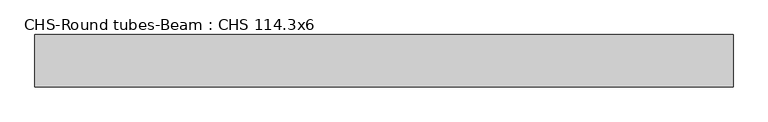
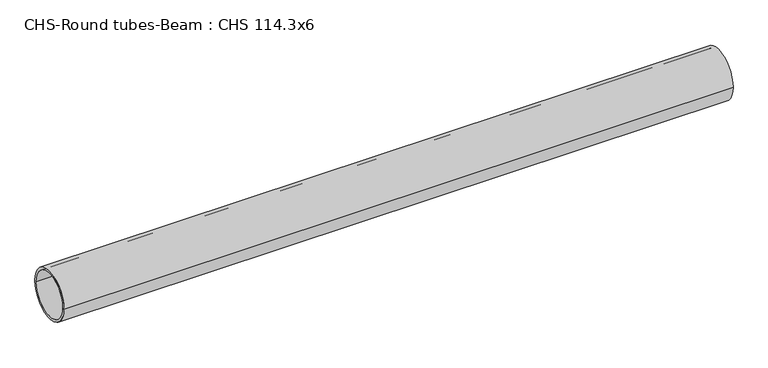
"""IFC4 building model written with IfcOpenShell, lengths in millimetres: beam geometry, CHS-Round tubes-Beam : CHS 114.3x6."""

import ifcopenshell
import ifcopenshell.guid

model = None  # the IFC model being written
_history = None  # IfcOwnerHistory: only IFC2X3 demands one
_inside = {}  # id of a spatial element -> (the spatial element, [elements in it])
_under = {}  # id of a project, library or spatial element -> (it, [spatial elements below it])
_declared = {}  # id of a project -> (the project, [libraries it declares])
_typed = {}  # id of a type object -> (the type object, [elements of that type])
_made_of = {}  # id of a material, layer set ... -> (it, [elements and type objects made of it])


def new_model(schema):
    """Start an empty IFC model of exactly this schema.

    Asked for "IFC4X3", IfcOpenShell would pick the latest addendum, in which some entities
    have other attributes; the version numbers below select the first issue.
    IFC2X3 requires an IfcOwnerHistory on every rooted entity: one is made here for all.
    """
    global model, _history
    if schema == "IFC4X3":
        model = ifcopenshell.file(schema_version=(4, 3, 0, 0))
    else:
        model = ifcopenshell.file(schema=schema)
    _inside.clear()
    _under.clear()
    _declared.clear()
    _typed.clear()
    _made_of.clear()
    _history = None
    if model.schema == "IFC2X3":
        org = make("IfcOrganization", Name="unknown")
        user = make(
            "IfcPersonAndOrganization",
            ThePerson=make("IfcPerson", FamilyName="unknown"),
            TheOrganization=org,
        )
        app = make(
            "IfcApplication",
            ApplicationDeveloper=org,
            Version="unknown",
            ApplicationFullName="unknown",
            ApplicationIdentifier="unknown",
        )
        _history = make(
            "IfcOwnerHistory",
            OwningUser=user,
            OwningApplication=app,
            ChangeAction="ADDED",
            CreationDate=0,
        )
    return model


def make(cls, **values):
    """One entity of the class cls with the attributes given. An attribute that is None is left unset."""
    return model.create_entity(
        cls, **{name: value for name, value in values.items() if value is not None}
    )


def rooted(cls, **values):
    """An entity with a GlobalId (a new one), such as an element, a storey or a relation."""
    return make(cls, GlobalId=ifcopenshell.guid.new(), OwnerHistory=_history, **values)


def si_unit(unit_type, name, prefix=None):
    """IfcSIUnit, for example si_unit("LENGTHUNIT", "METRE", prefix="MILLI")."""
    return make("IfcSIUnit", UnitType=unit_type, Prefix=prefix, Name=name)


def assignment(units):
    """IfcUnitAssignment: the units of a project."""
    return None if units is None else make("IfcUnitAssignment", Units=units)


def point(xyz):
    """IfcCartesianPoint."""
    return None if xyz is None else make("IfcCartesianPoint", Coordinates=xyz)


def direction(xyz):
    """IfcDirection."""
    return None if xyz is None else make("IfcDirection", DirectionRatios=xyz)


def frame(location, z_axis=None, x_axis=None):
    """IfcAxis2Placement3D, a coordinate frame: its origin and axes. An axis left out is left unset."""
    return make(
        "IfcAxis2Placement3D",
        Location=point(location),
        Axis=direction(z_axis),
        RefDirection=direction(x_axis),
    )


def frame_2d(location, x_axis=None):
    """IfcAxis2Placement2D, a coordinate frame in the plane: its origin and x axis."""
    return make(
        "IfcAxis2Placement2D", Location=point(location), RefDirection=direction(x_axis)
    )


def origin():
    """The frame at (0, 0, 0) with its axes left unset."""
    return frame((0.0, 0.0, 0.0))


def origin_2d():
    """The frame at (0, 0) in the plane with its x axis left unset."""
    return frame_2d((0.0, 0.0))


def place(relative_to, where):
    """IfcLocalPlacement: puts the frame where relative to a parent placement (None: the world)."""
    return make(
        "IfcLocalPlacement", PlacementRelTo=relative_to, RelativePlacement=where
    )


def context(
    kind, dimensions, precision=None, world=None, true_north=None, identifier=None
):
    """IfcGeometricRepresentationContext, for example the 3D "Model" context."""
    return make(
        "IfcGeometricRepresentationContext",
        ContextIdentifier=identifier,
        ContextType=kind,
        CoordinateSpaceDimension=dimensions,
        Precision=precision,
        WorldCoordinateSystem=world,
        TrueNorth=true_north,
    )


def project(units=None, contexts=None):
    """IfcProject with its units and contexts."""
    return rooted(
        "IfcProject",
        Name="project",
        RepresentationContexts=contexts,
        UnitsInContext=assignment(units),
    )


def spatial(cls, under=None, at=None, **own):
    """A site, building, storey or space (cls), placed at a placement, below another one or the project."""
    s = rooted(cls, ObjectPlacement=at, **own)
    if under is not None:
        _under.setdefault(under.id(), (under, []))[1].append(s)
    return s


def circle_curve(where, radius):
    """IfcCircle in the frame where."""
    return make("IfcCircle", Position=where, Radius=radius)


def trimmed(basis, trim1, trim2, sense, master):
    """IfcTrimmedCurve: the piece of a basis curve between two trims."""
    return make(
        "IfcTrimmedCurve",
        BasisCurve=basis,
        Trim1=trim1,
        Trim2=trim2,
        SenseAgreement=sense,
        MasterRepresentation=master,
    )


def segment(curve, same_sense, transition):
    """IfcCompositeCurveSegment."""
    return make(
        "IfcCompositeCurveSegment",
        Transition=transition,
        SameSense=same_sense,
        ParentCurve=curve,
    )


def composite_curve(segments, self_intersect=None):
    """IfcCompositeCurve: segments joined end to end."""
    return make("IfcCompositeCurve", Segments=segments, SelfIntersect=self_intersect)


def outline(outer, holes=None, kind="AREA"):
    """IfcArbitraryClosedProfileDef: a profile drawn as a closed curve; with holes, ...WithVoids."""
    if holes is None:
        return make("IfcArbitraryClosedProfileDef", ProfileType=kind, OuterCurve=outer)
    return make(
        "IfcArbitraryProfileDefWithVoids",
        ProfileType=kind,
        OuterCurve=outer,
        InnerCurves=holes,
    )


def extrude(swept, where, along, depth):
    """IfcExtrudedAreaSolid: the profile swept, set in the frame where, extruded along a direction by depth."""
    return make(
        "IfcExtrudedAreaSolid",
        SweptArea=swept,
        Position=where,
        ExtrudedDirection=direction(along),
        Depth=depth,
    )


def shape(context_of_items, identifier, shape_type, items):
    """IfcShapeRepresentation: the items that make up one representation, for example the "Body"."""
    return make(
        "IfcShapeRepresentation",
        ContextOfItems=context_of_items,
        RepresentationIdentifier=identifier,
        RepresentationType=shape_type,
        Items=items,
    )


def source(mapping_origin, context_of_items, identifier, shape_type, items):
    """IfcRepresentationMap: a shape defined once, which mapped items show again and again."""
    return make(
        "IfcRepresentationMap",
        MappingOrigin=mapping_origin,
        MappedRepresentation=shape(context_of_items, identifier, shape_type, items),
    )


def transform(
    local_origin,
    x_axis=None,
    y_axis=None,
    z_axis=None,
    scale=None,
    scale2=None,
    scale3=None,
    uniform=True,
):
    """IfcCartesianTransformationOperator3D, or its non-uniform kind. x_axis, y_axis, z_axis: its Axis1, 2, 3."""
    if uniform:
        return make(
            "IfcCartesianTransformationOperator3D",
            Axis1=direction(x_axis),
            Axis2=direction(y_axis),
            LocalOrigin=point(local_origin),
            Scale=scale,
            Axis3=direction(z_axis),
        )
    return make(
        "IfcCartesianTransformationOperator3DnonUniform",
        Axis1=direction(x_axis),
        Axis2=direction(y_axis),
        LocalOrigin=point(local_origin),
        Scale=scale,
        Axis3=direction(z_axis),
        Scale2=scale2,
        Scale3=scale3,
    )


def mapped(mapping_source, mapping_target):
    """IfcMappedItem: shows the shape of a source again, moved by a transform."""
    return make(
        "IfcMappedItem", MappingSource=mapping_source, MappingTarget=mapping_target
    )


def made_of(thing, what):
    """Note that an element or type object is made of a material, layer set ...; save() writes the relation."""
    if what is not None:
        _made_of.setdefault(what.id(), (what, []))[1].append(thing)
    return thing


def element(
    cls,
    number,
    at=None,
    inside=None,
    cuts=None,
    type_object=None,
    material=None,
    context=None,
    identifier="Body",
    shape_type=None,
    held_by="IfcProductDefinitionShape",
    body=None,
    shapes=None,
    **own,
):
    """One element of the class cls, such as IfcWall. Its Tag is "e" and its number.

    at: its placement. inside: the storey or other place that contains it. cuts: it is an
    opening in that element (IfcRelVoidsElement). A single representation is given by context,
    identifier, shape_type and body (its items); several are given by shapes. held_by: the class
    of the entity that holds the representations. save() writes the other relations.
    """
    e = rooted(cls, Tag="e%d" % number, ObjectPlacement=at, **own)
    if body is not None:
        shapes = [shape(context, identifier, shape_type, body)]
    if shapes is not None:
        e.Representation = make(held_by, Representations=shapes)
    if inside is not None:
        _inside.setdefault(inside.id(), (inside, []))[1].append(e)
    if cuts is not None:
        rooted(
            "IfcRelVoidsElement", RelatingBuildingElement=cuts, RelatedOpeningElement=e
        )
    if type_object is not None:
        _typed.setdefault(type_object.id(), (type_object, []))[1].append(e)
    return made_of(e, material)


def aggregate(whole, parts):
    """IfcRelAggregates: a whole, such as a stair, and the parts it consists of."""
    return rooted("IfcRelAggregates", RelatingObject=whole, RelatedObjects=parts)


def save(model, path):
    """Write the relations noted so far, then the file.

    IfcRelAggregates (storeys below a building ...), IfcRelContainedInSpatialStructure (elements
    in a storey), IfcRelDefinesByType, IfcRelAssociatesMaterial and IfcRelDeclares: one each for
    every whole, place, type object, material and project.
    """
    for whole, parts in _under.values():
        aggregate(whole, parts)
    for where, things in _inside.values():
        rooted(
            "IfcRelContainedInSpatialStructure",
            RelatedElements=things,
            RelatingStructure=where,
        )
    for kind, things in _typed.values():
        rooted("IfcRelDefinesByType", RelatedObjects=things, RelatingType=kind)
    for what, things in _made_of.values():
        rooted("IfcRelAssociatesMaterial", RelatedObjects=things, RelatingMaterial=what)
    for by, libraries in _declared.values():
        rooted("IfcRelDeclares", RelatingContext=by, RelatedDefinitions=libraries)
    model.write(path)


def chs_round_tubes_beam_chs_114_3x6_3d97e50b(model_context):
    return source(origin(), model_context, "Body", "SweptSolid", [
        extrude(outline(composite_curve([segment(trimmed(circle_curve(origin_2d(), 57.15), [point((57.15, 0.0))], [point((-57.15, 0.0))], False, "CARTESIAN"), True, "CONTINUOUS"), segment(trimmed(circle_curve(origin_2d(), 57.15), [point((-57.15, 0.0))], [point((57.15, 0.0))], False, "CARTESIAN"), True, "CONTINUOUS")], self_intersect=False), holes=[composite_curve([segment(trimmed(circle_curve(origin_2d(), 51.15), [point((51.15, 0.0))], [point((-51.15, 0.0))], True, "CARTESIAN"), True, "CONTINUOUS"), segment(trimmed(circle_curve(origin_2d(), 51.15), [point((-51.15, 0.0))], [point((51.15, 0.0))], True, "CARTESIAN"), True, "CONTINUOUS")], self_intersect=False)]), frame((-744.6014412, 0.0, 0.0), z_axis=(1.0, 0.0, 0.0), x_axis=(0.0, 1.0, 0.0)), (0.0, 0.0, 1.0), 1523.0031856),
    ])


if __name__ == "__main__":
    model = new_model("IFC4")
    model_context = context("Model", 3, world=origin())
    ifc_project = project(units=[si_unit("LENGTHUNIT", "METRE", prefix="MILLI")], contexts=[model_context])
    site = spatial("IfcSite", under=ifc_project)
    building = spatial("IfcBuilding", under=site)
    placement = place(None, origin())
    chs_round_tubes_beam_chs_114_3x6_shape = chs_round_tubes_beam_chs_114_3x6_3d97e50b(model_context)
    element("IfcBeam", 1, ObjectType="CHS-Round tubes-Beam : CHS 114.3x6", at=placement, inside=building, context=model_context, shape_type="MappedRepresentation", body=[
        mapped(chs_round_tubes_beam_chs_114_3x6_shape, transform((0.0, 0.0, 0.0), x_axis=(1.0, 0.0, 0.0), y_axis=(0.0, 1.0, 0.0), z_axis=(0.0, 0.0, 1.0))),
    ])
    save(model, "model.ifc")
